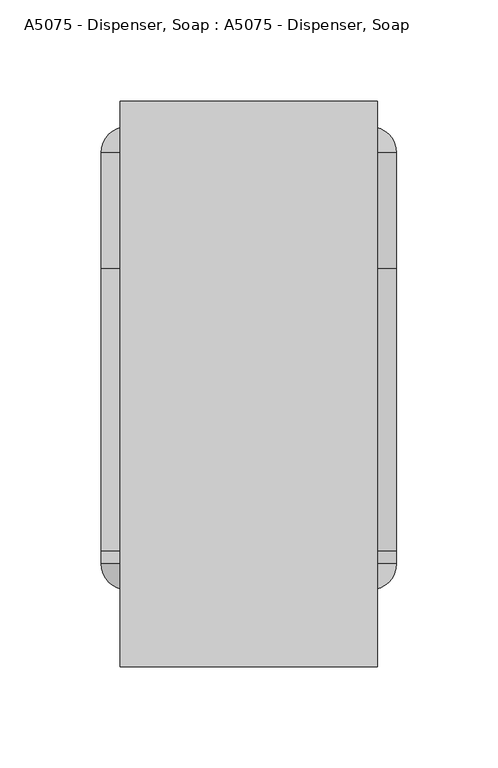
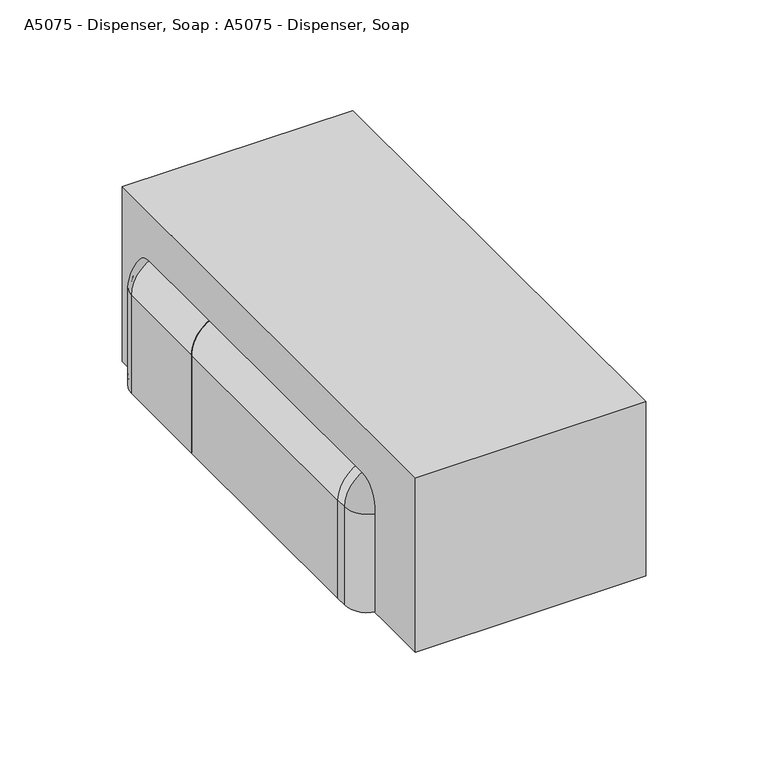
"""IFC4 building model written with IfcOpenShell, lengths in millimetres: proxy geometry, A5075 - Dispenser, Soap : A5075 - Dispenser, Soap."""

import ifcopenshell
import ifcopenshell.guid

model = None  # the IFC model being written
_history = None  # IfcOwnerHistory: only IFC2X3 demands one
_inside = {}  # id of a spatial element -> (the spatial element, [elements in it])
_under = {}  # id of a project, library or spatial element -> (it, [spatial elements below it])
_declared = {}  # id of a project -> (the project, [libraries it declares])
_typed = {}  # id of a type object -> (the type object, [elements of that type])
_made_of = {}  # id of a material, layer set ... -> (it, [elements and type objects made of it])


def new_model(schema):
    """Start an empty IFC model of exactly this schema.

    Asked for "IFC4X3", IfcOpenShell would pick the latest addendum, in which some entities
    have other attributes; the version numbers below select the first issue.
    IFC2X3 requires an IfcOwnerHistory on every rooted entity: one is made here for all.
    """
    global model, _history
    if schema == "IFC4X3":
        model = ifcopenshell.file(schema_version=(4, 3, 0, 0))
    else:
        model = ifcopenshell.file(schema=schema)
    _inside.clear()
    _under.clear()
    _declared.clear()
    _typed.clear()
    _made_of.clear()
    _history = None
    if model.schema == "IFC2X3":
        org = make("IfcOrganization", Name="unknown")
        user = make(
            "IfcPersonAndOrganization",
            ThePerson=make("IfcPerson", FamilyName="unknown"),
            TheOrganization=org,
        )
        app = make(
            "IfcApplication",
            ApplicationDeveloper=org,
            Version="unknown",
            ApplicationFullName="unknown",
            ApplicationIdentifier="unknown",
        )
        _history = make(
            "IfcOwnerHistory",
            OwningUser=user,
            OwningApplication=app,
            ChangeAction="ADDED",
            CreationDate=0,
        )
    return model


def make(cls, **values):
    """One entity of the class cls with the attributes given. An attribute that is None is left unset."""
    return model.create_entity(
        cls, **{name: value for name, value in values.items() if value is not None}
    )


def rooted(cls, **values):
    """An entity with a GlobalId (a new one), such as an element, a storey or a relation."""
    return make(cls, GlobalId=ifcopenshell.guid.new(), OwnerHistory=_history, **values)


def si_unit(unit_type, name, prefix=None):
    """IfcSIUnit, for example si_unit("LENGTHUNIT", "METRE", prefix="MILLI")."""
    return make("IfcSIUnit", UnitType=unit_type, Prefix=prefix, Name=name)


def assignment(units):
    """IfcUnitAssignment: the units of a project."""
    return None if units is None else make("IfcUnitAssignment", Units=units)


def point(xyz):
    """IfcCartesianPoint."""
    return None if xyz is None else make("IfcCartesianPoint", Coordinates=xyz)


def direction(xyz):
    """IfcDirection."""
    return None if xyz is None else make("IfcDirection", DirectionRatios=xyz)


def frame(location, z_axis=None, x_axis=None):
    """IfcAxis2Placement3D, a coordinate frame: its origin and axes. An axis left out is left unset."""
    return make(
        "IfcAxis2Placement3D",
        Location=point(location),
        Axis=direction(z_axis),
        RefDirection=direction(x_axis),
    )


def frame_2d(location, x_axis=None):
    """IfcAxis2Placement2D, a coordinate frame in the plane: its origin and x axis."""
    return make(
        "IfcAxis2Placement2D", Location=point(location), RefDirection=direction(x_axis)
    )


def origin():
    """The frame at (0, 0, 0) with its axes left unset."""
    return frame((0.0, 0.0, 0.0))


def origin_with_axes():
    """The frame at (0, 0, 0) with the z axis (0, 0, 1) and the x axis (1, 0, 0) written out."""
    return frame((0.0, 0.0, 0.0), z_axis=(0.0, 0.0, 1.0), x_axis=(1.0, 0.0, 0.0))


def place(relative_to, where):
    """IfcLocalPlacement: puts the frame where relative to a parent placement (None: the world)."""
    return make(
        "IfcLocalPlacement", PlacementRelTo=relative_to, RelativePlacement=where
    )


def context(
    kind, dimensions, precision=None, world=None, true_north=None, identifier=None
):
    """IfcGeometricRepresentationContext, for example the 3D "Model" context."""
    return make(
        "IfcGeometricRepresentationContext",
        ContextIdentifier=identifier,
        ContextType=kind,
        CoordinateSpaceDimension=dimensions,
        Precision=precision,
        WorldCoordinateSystem=world,
        TrueNorth=true_north,
    )


def project(units=None, contexts=None):
    """IfcProject with its units and contexts."""
    return rooted(
        "IfcProject",
        Name="project",
        RepresentationContexts=contexts,
        UnitsInContext=assignment(units),
    )


def spatial(cls, under=None, at=None, **own):
    """A site, building, storey or space (cls), placed at a placement, below another one or the project."""
    s = rooted(cls, ObjectPlacement=at, **own)
    if under is not None:
        _under.setdefault(under.id(), (under, []))[1].append(s)
    return s


def polyline(points):
    """IfcPolyline through the points."""
    return make("IfcPolyline", Points=[point(p) for p in points])


def circle_curve(where, radius):
    """IfcCircle in the frame where."""
    return make("IfcCircle", Position=where, Radius=radius)


def ellipse_curve(where, semi_axis1, semi_axis2):
    """IfcEllipse in the frame where."""
    return make(
        "IfcEllipse", Position=where, SemiAxis1=semi_axis1, SemiAxis2=semi_axis2
    )


def trimmed(basis, trim1, trim2, sense, master):
    """IfcTrimmedCurve: the piece of a basis curve between two trims."""
    return make(
        "IfcTrimmedCurve",
        BasisCurve=basis,
        Trim1=trim1,
        Trim2=trim2,
        SenseAgreement=sense,
        MasterRepresentation=master,
    )


def segment(curve, same_sense, transition):
    """IfcCompositeCurveSegment."""
    return make(
        "IfcCompositeCurveSegment",
        Transition=transition,
        SameSense=same_sense,
        ParentCurve=curve,
    )


def composite_curve(segments, self_intersect=None):
    """IfcCompositeCurve: segments joined end to end."""
    return make("IfcCompositeCurve", Segments=segments, SelfIntersect=self_intersect)


def outline(outer, holes=None, kind="AREA"):
    """IfcArbitraryClosedProfileDef: a profile drawn as a closed curve; with holes, ...WithVoids."""
    if holes is None:
        return make("IfcArbitraryClosedProfileDef", ProfileType=kind, OuterCurve=outer)
    return make(
        "IfcArbitraryProfileDefWithVoids",
        ProfileType=kind,
        OuterCurve=outer,
        InnerCurves=holes,
    )


def extrude(swept, where, along, depth):
    """IfcExtrudedAreaSolid: the profile swept, set in the frame where, extruded along a direction by depth."""
    return make(
        "IfcExtrudedAreaSolid",
        SweptArea=swept,
        Position=where,
        ExtrudedDirection=direction(along),
        Depth=depth,
    )


def shape(context_of_items, identifier, shape_type, items):
    """IfcShapeRepresentation: the items that make up one representation, for example the "Body"."""
    return make(
        "IfcShapeRepresentation",
        ContextOfItems=context_of_items,
        RepresentationIdentifier=identifier,
        RepresentationType=shape_type,
        Items=items,
    )


def source(mapping_origin, context_of_items, identifier, shape_type, items):
    """IfcRepresentationMap: a shape defined once, which mapped items show again and again."""
    return make(
        "IfcRepresentationMap",
        MappingOrigin=mapping_origin,
        MappedRepresentation=shape(context_of_items, identifier, shape_type, items),
    )


def transform(
    local_origin,
    x_axis=None,
    y_axis=None,
    z_axis=None,
    scale=None,
    scale2=None,
    scale3=None,
    uniform=True,
):
    """IfcCartesianTransformationOperator3D, or its non-uniform kind. x_axis, y_axis, z_axis: its Axis1, 2, 3."""
    if uniform:
        return make(
            "IfcCartesianTransformationOperator3D",
            Axis1=direction(x_axis),
            Axis2=direction(y_axis),
            LocalOrigin=point(local_origin),
            Scale=scale,
            Axis3=direction(z_axis),
        )
    return make(
        "IfcCartesianTransformationOperator3DnonUniform",
        Axis1=direction(x_axis),
        Axis2=direction(y_axis),
        LocalOrigin=point(local_origin),
        Scale=scale,
        Axis3=direction(z_axis),
        Scale2=scale2,
        Scale3=scale3,
    )


def mapped(mapping_source, mapping_target):
    """IfcMappedItem: shows the shape of a source again, moved by a transform."""
    return make(
        "IfcMappedItem", MappingSource=mapping_source, MappingTarget=mapping_target
    )


def made_of(thing, what):
    """Note that an element or type object is made of a material, layer set ...; save() writes the relation."""
    if what is not None:
        _made_of.setdefault(what.id(), (what, []))[1].append(thing)
    return thing


def element(
    cls,
    number,
    at=None,
    inside=None,
    cuts=None,
    type_object=None,
    material=None,
    context=None,
    identifier="Body",
    shape_type=None,
    held_by="IfcProductDefinitionShape",
    body=None,
    shapes=None,
    **own,
):
    """One element of the class cls, such as IfcWall. Its Tag is "e" and its number.

    at: its placement. inside: the storey or other place that contains it. cuts: it is an
    opening in that element (IfcRelVoidsElement). A single representation is given by context,
    identifier, shape_type and body (its items); several are given by shapes. held_by: the class
    of the entity that holds the representations. save() writes the other relations.
    """
    e = rooted(cls, Tag="e%d" % number, ObjectPlacement=at, **own)
    if body is not None:
        shapes = [shape(context, identifier, shape_type, body)]
    if shapes is not None:
        e.Representation = make(held_by, Representations=shapes)
    if inside is not None:
        _inside.setdefault(inside.id(), (inside, []))[1].append(e)
    if cuts is not None:
        rooted(
            "IfcRelVoidsElement", RelatingBuildingElement=cuts, RelatedOpeningElement=e
        )
    if type_object is not None:
        _typed.setdefault(type_object.id(), (type_object, []))[1].append(e)
    return made_of(e, material)


def aggregate(whole, parts):
    """IfcRelAggregates: a whole, such as a stair, and the parts it consists of."""
    return rooted("IfcRelAggregates", RelatingObject=whole, RelatedObjects=parts)


def save(model, path):
    """Write the relations noted so far, then the file.

    IfcRelAggregates (storeys below a building ...), IfcRelContainedInSpatialStructure (elements
    in a storey), IfcRelDefinesByType, IfcRelAssociatesMaterial and IfcRelDeclares: one each for
    every whole, place, type object, material and project.
    """
    for whole, parts in _under.values():
        aggregate(whole, parts)
    for where, things in _inside.values():
        rooted(
            "IfcRelContainedInSpatialStructure",
            RelatedElements=things,
            RelatingStructure=where,
        )
    for kind, things in _typed.values():
        rooted("IfcRelDefinesByType", RelatedObjects=things, RelatingType=kind)
    for what, things in _made_of.values():
        rooted("IfcRelAssociatesMaterial", RelatedObjects=things, RelatingMaterial=what)
    for by, libraries in _declared.values():
        rooted("IfcRelDeclares", RelatingContext=by, RelatedDefinitions=libraries)
    model.write(path)


def plane_surface(at):
    """IfcPlane: the flat surface through the origin of the frame at, square to its z axis."""
    return make("IfcPlane", Position=at)


def cylinder_surface(at, radius):
    """IfcCylindricalSurface: all points at the distance radius from the z axis of the frame at."""
    return make("IfcCylindricalSurface", Position=at, Radius=radius)


def revolved_surface(curve, axis_point, axis_direction):
    """IfcSurfaceOfRevolution: the curve turned about the line through axis_point along axis_direction."""
    return make(
        "IfcSurfaceOfRevolution",
        SweptCurve=make("IfcArbitraryOpenProfileDef", ProfileType="CURVE", Curve=curve),
        AxisPosition=make("IfcAxis1Placement", Location=point(axis_point), Axis=direction(axis_direction)),
    )


def advanced_brep(points, edges, surfaces, faces):
    """IfcAdvancedBrep: a solid bounded by faces that lie on surfaces and meet in shared edges.

    An edge is (start, end): straight between two places in points (the first is 0);
    or (start, end, curve); or (start, end, curve, False) where it runs against its curve.
    A face is (place in surfaces, loops), or (place, loops, False) where it looks against
    its surface's normal. A loop lists edges by number (the first is 1), with a minus sign
    where the edge is run from its end to its start. The first loop is the outer one.
    """
    corners = [point(p) for p in points]
    vertices = [make("IfcVertexPoint", VertexGeometry=c) for c in corners]
    made = []
    for start, end, *more in edges:
        made.append(
            make(
                "IfcEdgeCurve",
                EdgeStart=vertices[start],
                EdgeEnd=vertices[end],
                EdgeGeometry=more[0] if more else make("IfcPolyline", Points=[corners[start], corners[end]]),
                SameSense=more[1] if len(more) > 1 else True,
            )
        )
    hull = []
    for where, loops, *sense in faces:
        bounds = []
        for j, loop in enumerate(loops):
            ring = [make("IfcOrientedEdge", EdgeElement=made[abs(k) - 1], Orientation=k > 0) for k in loop]
            bounds.append(
                make(
                    "IfcFaceOuterBound" if j == 0 else "IfcFaceBound",
                    Bound=make("IfcEdgeLoop", EdgeList=ring),
                    Orientation=True,
                )
            )
        hull.append(make("IfcAdvancedFace", Bounds=bounds, FaceSurface=surfaces[where], SameSense=sense[0] if sense else True))
    return make("IfcAdvancedBrep", Outer=make("IfcClosedShell", CfsFaces=hull))


def a5075_dispenser_soap_a5075_dispenser_soap_4e750380(model_context):
    return source(origin(), model_context, "Body", "SolidModel", [
        advanced_brep(
        [(-73.025, -25.4, 0.0), (-60.325, -12.7, 0.0), (-60.325, -14.2875, 0.0), (-71.4375, -25.4, 0.0), (-71.4375, -82.55, 0.0), (-73.025, -82.55, 0.0), (-73.025, -82.55, 57.15), (-73.025, -25.4, 57.15), (-71.4375, -82.55, 57.15), (-53.975, -82.55, 74.6125), (53.975, -82.55, 74.6125), (71.4375, -82.55, 57.15), (71.4375, -82.55, 12.7), (73.025, -82.55, 12.7), (73.025, -82.55, 57.15), (53.975, -82.55, 76.2), (-53.975, -82.55, 76.2), (-71.4375, -25.4, 57.15), (-60.325, -14.2875, 57.15), (-60.325, -12.7, 57.15), (-53.975, -25.4, 76.2), (-53.975, -25.4, 74.6125), (-53.975, -14.2875, 63.5), (-53.975, -12.7, 63.5), (53.975, -25.4, 76.2), (53.975, -25.4, 74.6125), (53.975, -14.2875, 63.5), (53.975, -12.7, 63.5), (73.025, -25.4, 57.15), (71.4375, -25.4, 57.15), (60.325, -14.2875, 57.15), (60.325, -12.7, 57.15), (73.025, -25.4, 12.7), (71.4375, -25.4, 12.7), (60.325, -14.2875, 12.7), (60.325, -12.7, 12.7)],
        [
            (0, 1, circle_curve(frame((-60.325, -25.4, 0.0), z_axis=(0.0, 0.0, -1.0), x_axis=(1.0, 0.0, 0.0)), 12.7)),
            (1, 2),
            (2, 3, circle_curve(frame((-60.325, -25.4, 0.0), z_axis=(0.0, 0.0, 1.0), x_axis=(1.0, 0.0, 0.0)), 11.1125)),
            (3, 4),
            (4, 5),
            (5, 0),
            (5, 6),
            (6, 7),
            (7, 0),
            (4, 8),
            (8, 9, circle_curve(frame((-53.975, -82.55, 57.15), z_axis=(0.0, 1.0, 0.0), x_axis=(-1.0, 0.0, 0.0)), 17.4625)),
            (9, 10),
            (10, 11, circle_curve(frame((53.975, -82.55, 57.15), z_axis=(0.0, 1.0, 0.0), x_axis=(0.0, 0.0, 1.0)), 17.4625)),
            (11, 12),
            (12, 13),
            (13, 14),
            (14, 15, circle_curve(frame((53.975, -82.55, 57.15), z_axis=(0.0, -1.0, 0.0), x_axis=(0.0, 0.0, 1.0)), 19.05)),
            (15, 16),
            (16, 6, circle_curve(frame((-53.975, -82.55, 57.15), z_axis=(0.0, -1.0, 0.0), x_axis=(-1.0, 0.0, 0.0)), 19.05)),
            (3, 17),
            (17, 8),
            (2, 18),
            (18, 17, circle_curve(frame((-60.325, -25.4, 57.15), z_axis=(0.0, 0.0, 1.0), x_axis=(1.0, 0.0, 0.0)), 11.1125)),
            (1, 19),
            (19, 18),
            (7, 19, circle_curve(frame((-60.325, -25.4, 57.15), z_axis=(0.0, 0.0, -1.0), x_axis=(1.0, 0.0, 0.0)), 12.7)),
            (16, 20),
            (20, 7, circle_curve(frame((-53.975, -25.4, 57.15), z_axis=(0.0, -1.0, 0.0), x_axis=(-1.0, 0.0, 0.0)), 19.05)),
            (21, 9),
            (17, 21, circle_curve(frame((-53.975, -25.4, 57.15), z_axis=(0.0, 1.0, 0.0), x_axis=(-1.0, 0.0, 0.0)), 17.4625)),
            (22, 21, circle_curve(frame((-53.975, -25.4, 63.5), z_axis=(1.0, 0.0, 0.0), x_axis=(0.0, 0.0, -1.0)), 11.1125)),
            (18, 22, circle_curve(frame((-53.975, -14.2875, 57.15), z_axis=(0.0, 1.0, 0.0), x_axis=(-1.0, 0.0, 0.0)), 6.35)),
            (23, 22),
            (19, 23, circle_curve(frame((-53.975, -12.7, 57.15), z_axis=(0.0, 1.0, 0.0), x_axis=(-1.0, 0.0, 0.0)), 6.35)),
            (20, 23, circle_curve(frame((-53.975, -25.4, 63.5), z_axis=(-1.0, 0.0, 0.0), x_axis=(0.0, 0.0, -1.0)), 12.7)),
            (15, 24),
            (24, 20),
            (21, 25),
            (25, 10),
            (22, 26),
            (26, 25, circle_curve(frame((53.975, -25.4, 63.5), z_axis=(1.0, 0.0, 0.0), x_axis=(0.0, 0.0, -1.0)), 11.1125)),
            (23, 27),
            (27, 26),
            (24, 27, circle_curve(frame((53.975, -25.4, 63.5), z_axis=(-1.0, 0.0, 0.0), x_axis=(0.0, 0.0, -1.0)), 12.7)),
            (14, 28),
            (28, 24, circle_curve(frame((53.975, -25.4, 57.15), z_axis=(0.0, -1.0, 0.0), x_axis=(0.0, 0.0, 1.0)), 19.05)),
            (29, 11),
            (25, 29, circle_curve(frame((53.975, -25.4, 57.15), z_axis=(0.0, 1.0, 0.0), x_axis=(0.0, 0.0, 1.0)), 17.4625)),
            (30, 29, circle_curve(frame((60.325, -25.4, 57.15), z_axis=(0.0, 0.0, -1.0), x_axis=(-1.0, 0.0, 0.0)), 11.1125)),
            (26, 30, circle_curve(frame((53.975, -14.2875, 57.15), z_axis=(0.0, 1.0, 0.0), x_axis=(0.0, 0.0, 1.0)), 6.35)),
            (31, 30),
            (27, 31, circle_curve(frame((53.975, -12.7, 57.15), z_axis=(0.0, 1.0, 0.0), x_axis=(0.0, 0.0, 1.0)), 6.35)),
            (28, 31, circle_curve(frame((60.325, -25.4, 57.15), z_axis=(0.0, 0.0, 1.0), x_axis=(-1.0, 0.0, 0.0)), 12.7)),
            (32, 13),
            (12, 33),
            (33, 34, circle_curve(frame((60.325, -25.4, 12.7), z_axis=(0.0, 0.0, 1.0), x_axis=(-1.0, 0.0, 0.0)), 11.1125)),
            (34, 35),
            (35, 32, circle_curve(frame((60.325, -25.4, 12.7), z_axis=(0.0, 0.0, -1.0), x_axis=(-1.0, 0.0, 0.0)), 12.7)),
            (32, 28),
            (29, 33),
            (30, 34),
            (31, 35),
        ],
        [
            plane_surface(frame((-73.025, -12.7, 0.0), z_axis=(0.0, 0.0, -1.0), x_axis=(0.0, -1.0, 0.0))),
            plane_surface(frame((-73.025, -25.4, 0.0), z_axis=(-1.0, 0.0, 0.0), x_axis=(0.0, 0.0, 1.0))),
            plane_surface(frame((-73.025, -82.55, 0.0), z_axis=(0.0, -1.0, 0.0), x_axis=(0.0, 0.0, 1.0))),
            plane_surface(frame((-71.4375, -82.55, 0.0), z_axis=(1.0, 0.0, 0.0), x_axis=(0.0, 0.0, 1.0))),
            revolved_surface(polyline([(-49.212500000000006, -25.4, 57.15), (-49.212500000000006, -25.4, 0.0)]), (-60.325, -25.4, 0.0), (0.0, 0.0, 1.0)),
            plane_surface(frame((-60.325, -14.2875, 0.0), z_axis=(1.0, 0.0, 0.0), x_axis=(0.0, 0.0, 1.0))),
            cylinder_surface(frame((-60.325, -25.4, 0.0), z_axis=(0.0, 0.0, -1.0), x_axis=(1.0, 0.0, 0.0)), 12.7),
            cylinder_surface(frame((-53.975, -12.7, 57.15), z_axis=(0.0, -1.0, 0.0), x_axis=(-1.0, 0.0, 0.0)), 19.05),
            revolved_surface(polyline([(-71.4375, -82.55, 57.15), (-71.4375, -25.4, 57.15)]), (-53.975, -12.7, 57.15), (0.0, -1.0, 0.0)),
            revolved_surface(trimmed(ellipse_curve(frame((-60.325, -25.4, 57.15), z_axis=(0.0, 0.0, -1.0), x_axis=(1.0, 0.0, 0.0)), 11.1125, 11.1125), [point((-71.4375, -25.4, 57.15))], [point((-60.325, -14.2875, 57.15))], True, "CARTESIAN"), (-53.975, -12.7, 57.15), (0.0, -1.0, 0.0)),
            revolved_surface(polyline([(-60.325, -14.2875, 57.15), (-60.325, -12.7, 57.15)]), (-53.975, -12.7, 57.15), (0.0, -1.0, 0.0)),
            revolved_surface(trimmed(ellipse_curve(frame((-60.325, -25.4, 57.15), z_axis=(0.0, 0.0, 1.0), x_axis=(1.0, 0.0, 0.0)), 12.7, 12.7), [point((-60.325, -12.7, 57.15))], [point((-73.025, -25.4, 57.15))], True, "CARTESIAN"), (-53.975, -12.7, 57.15), (0.0, -1.0, 0.0)),
            plane_surface(frame((-53.975, -25.4, 76.2), z_axis=(0.0, 0.0, 1.0), x_axis=(1.0, 0.0, 0.0))),
            plane_surface(frame((-53.975, -82.55, 74.6125), z_axis=(0.0, 0.0, -1.0), x_axis=(1.0, 0.0, 0.0))),
            revolved_surface(polyline([(53.975, -25.4, 52.3875), (-53.975, -25.4, 52.3875)]), (-53.975, -25.4, 63.5), (1.0, 0.0, 0.0)),
            plane_surface(frame((-53.975, -14.2875, 63.5), z_axis=(0.0, 0.0, -1.0), x_axis=(1.0, 0.0, 0.0))),
            cylinder_surface(frame((-53.975, -25.4, 63.5), z_axis=(-1.0, 0.0, 0.0), x_axis=(0.0, 0.0, -1.0)), 12.7),
            cylinder_surface(frame((53.975, -12.7, 57.15), z_axis=(0.0, -1.0, 0.0), x_axis=(0.0, 0.0, 1.0)), 19.05),
            revolved_surface(polyline([(53.975, -82.55, 74.6125), (53.975, -25.4, 74.6125)]), (53.975, -12.7, 57.15), (0.0, -1.0, 0.0)),
            revolved_surface(trimmed(ellipse_curve(frame((53.975, -25.4, 63.5), z_axis=(-1.0, 0.0, 0.0), x_axis=(0.0, 0.0, -1.0)), 11.1125, 11.1125), [point((53.975, -25.4, 74.6125))], [point((53.975, -14.2875, 63.5))], True, "CARTESIAN"), (53.975, -12.7, 57.15), (0.0, -1.0, 0.0)),
            revolved_surface(polyline([(53.975, -14.2875, 63.5), (53.975, -12.7, 63.5)]), (53.975, -12.7, 57.15), (0.0, -1.0, 0.0)),
            revolved_surface(trimmed(ellipse_curve(frame((53.975, -25.4, 63.5), z_axis=(1.0, 0.0, 0.0), x_axis=(0.0, 0.0, -1.0)), 12.7, 12.7), [point((53.975, -12.7, 63.5))], [point((53.975, -25.4, 76.2))], True, "CARTESIAN"), (53.975, -12.7, 57.15), (0.0, -1.0, 0.0)),
            plane_surface(frame((73.025, -12.7, 12.7), z_axis=(0.0, 0.0, -1.0), x_axis=(0.0, -1.0, 0.0))),
            plane_surface(frame((73.025, -25.4, 57.15), z_axis=(1.0, 0.0, 0.0), x_axis=(0.0, 0.0, -1.0))),
            plane_surface(frame((71.4375, -82.55, 57.15), z_axis=(-1.0, 0.0, 0.0), x_axis=(0.0, 0.0, -1.0))),
            revolved_surface(polyline([(49.212500000000006, -25.4, 12.699999999999996), (49.212500000000006, -25.4, 57.15)]), (60.325, -25.4, 57.15), (0.0, 0.0, -1.0)),
            plane_surface(frame((60.325, -14.2875, 57.15), z_axis=(-1.0, 0.0, 0.0), x_axis=(0.0, 0.0, -1.0))),
            cylinder_surface(frame((60.325, -25.4, 57.15), z_axis=(0.0, 0.0, 1.0), x_axis=(-1.0, 0.0, 0.0)), 12.7),
        ],
        [
            (0, [[1, 2, 3, 4, 5, 6]]),
            (1, [[7, 8, 9, -6]]),
            (2, [[10, 11, 12, 13, 14, 15, 16, 17, 18, 19, -7, -5]]),
            (3, [[20, 21, -10, -4]]),
            (4, [[22, 23, -20, -3]]),
            (5, [[24, 25, -22, -2]]),
            (6, [[-9, 26, -24, -1]]),
            (7, [[27, 28, -8, -19]]),
            (8, [[29, -11, -21, 30]]),
            (9, [[31, -30, -23, 32]]),
            (10, [[33, -32, -25, 34]]),
            (11, [[35, -34, -26, -28]]),
            (12, [[-18, 36, 37, -27]]),
            (13, [[38, 39, -12, -29]]),
            (14, [[40, 41, -38, -31]]),
            (15, [[42, 43, -40, -33]]),
            (16, [[-37, 44, -42, -35]]),
            (17, [[45, 46, -36, -17]]),
            (18, [[47, -13, -39, 48]]),
            (19, [[49, -48, -41, 50]]),
            (20, [[51, -50, -43, 52]]),
            (21, [[53, -52, -44, -46]]),
            (22, [[54, -15, 55, 56, 57, 58]]),
            (23, [[-16, -54, 59, -45]]),
            (24, [[60, -55, -14, -47]]),
            (25, [[61, -56, -60, -49]]),
            (26, [[62, -57, -61, -51]]),
            (27, [[-59, -58, -62, -53]]),
        ],
    ),
        advanced_brep(
        [(-73.025, -228.6, 0.0), (-73.025, -222.25, 0.0), (-71.4375, -222.25, 0.0), (-71.4375, -228.6, 0.0), (-60.325, -239.7125, 0.0), (-60.325, -241.3, 0.0), (-60.325, -241.3, 57.15), (-73.025, -228.6, 57.15), (-60.325, -239.7125, 57.15), (-71.4375, -228.6, 57.15), (-71.4375, -222.25, 57.15), (-73.025, -222.25, 57.15), (-53.975, -222.25, 76.2), (53.975, -222.25, 76.2), (73.025, -222.25, 57.15), (73.025, -222.25, 12.7), (71.4375, -222.25, 12.7), (71.4375, -222.25, 57.15), (53.975, -222.25, 74.6125), (-53.975, -222.25, 74.6125), (-53.975, -241.3, 63.5), (-53.975, -228.6, 76.2), (-53.975, -239.7125, 63.5), (-53.975, -228.6, 74.6125), (53.975, -241.3, 63.5), (53.975, -228.6, 76.2), (53.975, -239.7125, 63.5), (53.975, -228.6, 74.6125), (60.325, -241.3, 57.15), (73.025, -228.6, 57.15), (60.325, -239.7125, 57.15), (71.4375, -228.6, 57.15), (73.025, -228.6, 12.7), (60.325, -241.3, 12.7), (60.325, -239.7125, 12.7), (71.4375, -228.6, 12.7)],
        [
            (0, 1),
            (1, 2),
            (2, 3),
            (3, 4, circle_curve(frame((-60.325, -228.6, 0.0), z_axis=(0.0, 0.0, 1.0), x_axis=(1.0, 0.0, 0.0)), 11.1125)),
            (4, 5),
            (5, 0, circle_curve(frame((-60.325, -228.6, 0.0), z_axis=(0.0, 0.0, -1.0), x_axis=(1.0, 0.0, 0.0)), 12.7)),
            (5, 6),
            (6, 7, circle_curve(frame((-60.325, -228.6, 57.15), z_axis=(0.0, 0.0, -1.0), x_axis=(1.0, 0.0, 0.0)), 12.7)),
            (7, 0),
            (4, 8),
            (8, 6),
            (3, 9),
            (9, 8, circle_curve(frame((-60.325, -228.6, 57.15), z_axis=(0.0, 0.0, 1.0), x_axis=(1.0, 0.0, 0.0)), 11.1125)),
            (2, 10),
            (10, 9),
            (1, 11),
            (11, 12, circle_curve(frame((-53.975, -222.25, 57.15), z_axis=(0.0, 1.0, 0.0), x_axis=(-1.0, 0.0, 0.0)), 19.05)),
            (12, 13),
            (13, 14, circle_curve(frame((53.975, -222.25, 57.15), z_axis=(0.0, 1.0, 0.0), x_axis=(0.0, 0.0, 1.0)), 19.05)),
            (14, 15),
            (15, 16),
            (16, 17),
            (17, 18, circle_curve(frame((53.975, -222.25, 57.15), z_axis=(0.0, -1.0, 0.0), x_axis=(0.0, 0.0, 1.0)), 17.4625)),
            (18, 19),
            (19, 10, circle_curve(frame((-53.975, -222.25, 57.15), z_axis=(0.0, -1.0, 0.0), x_axis=(-1.0, 0.0, 0.0)), 17.4625)),
            (7, 11),
            (20, 21, circle_curve(frame((-53.975, -228.6, 63.5), z_axis=(-1.0, 0.0, 0.0), x_axis=(0.0, 0.0, -1.0)), 12.7)),
            (21, 7, circle_curve(frame((-53.975, -228.6, 57.15), z_axis=(0.0, -1.0, 0.0), x_axis=(-1.0, 0.0, 0.0)), 19.05)),
            (6, 20, circle_curve(frame((-53.975, -241.3, 57.15), z_axis=(0.0, 1.0, 0.0), x_axis=(-1.0, 0.0, 0.0)), 6.35)),
            (22, 20),
            (8, 22, circle_curve(frame((-53.975, -239.7125, 57.15), z_axis=(0.0, 1.0, 0.0), x_axis=(-1.0, 0.0, 0.0)), 6.35)),
            (23, 22, circle_curve(frame((-53.975, -228.6, 63.5), z_axis=(1.0, 0.0, 0.0), x_axis=(0.0, 0.0, -1.0)), 11.1125)),
            (9, 23, circle_curve(frame((-53.975, -228.6, 57.15), z_axis=(0.0, 1.0, 0.0), x_axis=(-1.0, 0.0, 0.0)), 17.4625)),
            (19, 23),
            (21, 12),
            (20, 24),
            (24, 25, circle_curve(frame((53.975, -228.6, 63.5), z_axis=(-1.0, 0.0, 0.0), x_axis=(0.0, 0.0, -1.0)), 12.7)),
            (25, 21),
            (22, 26),
            (26, 24),
            (23, 27),
            (27, 26, circle_curve(frame((53.975, -228.6, 63.5), z_axis=(1.0, 0.0, 0.0), x_axis=(0.0, 0.0, -1.0)), 11.1125)),
            (18, 27),
            (25, 13),
            (28, 29, circle_curve(frame((60.325, -228.6, 57.15), z_axis=(0.0, 0.0, 1.0), x_axis=(-1.0, 0.0, 0.0)), 12.7)),
            (29, 25, circle_curve(frame((53.975, -228.6, 57.15), z_axis=(0.0, -1.0, 0.0), x_axis=(0.0, 0.0, 1.0)), 19.05)),
            (24, 28, circle_curve(frame((53.975, -241.3, 57.15), z_axis=(0.0, 1.0, 0.0), x_axis=(0.0, 0.0, 1.0)), 6.35)),
            (30, 28),
            (26, 30, circle_curve(frame((53.975, -239.7125, 57.15), z_axis=(0.0, 1.0, 0.0), x_axis=(0.0, 0.0, 1.0)), 6.35)),
            (31, 30, circle_curve(frame((60.325, -228.6, 57.15), z_axis=(0.0, 0.0, -1.0), x_axis=(-1.0, 0.0, 0.0)), 11.1125)),
            (27, 31, circle_curve(frame((53.975, -228.6, 57.15), z_axis=(0.0, 1.0, 0.0), x_axis=(0.0, 0.0, 1.0)), 17.4625)),
            (17, 31),
            (29, 14),
            (32, 33, circle_curve(frame((60.325, -228.6, 12.7), z_axis=(0.0, 0.0, -1.0), x_axis=(-1.0, 0.0, 0.0)), 12.7)),
            (33, 34),
            (34, 35, circle_curve(frame((60.325, -228.6, 12.7), z_axis=(0.0, 0.0, 1.0), x_axis=(-1.0, 0.0, 0.0)), 11.1125)),
            (35, 16),
            (15, 32),
            (28, 33),
            (32, 29),
            (30, 34),
            (31, 35),
        ],
        [
            plane_surface(frame((-73.025, -241.3, 0.0), z_axis=(0.0, 0.0, -1.0), x_axis=(0.0, -1.0, 0.0))),
            cylinder_surface(frame((-60.325, -228.6, 0.0), z_axis=(0.0, 0.0, -1.0), x_axis=(1.0, 0.0, 0.0)), 12.7),
            plane_surface(frame((-60.325, -241.3, 0.0), z_axis=(1.0, 0.0, 0.0), x_axis=(0.0, 0.0, 1.0))),
            revolved_surface(polyline([(-49.212500000000006, -228.6, 57.15), (-49.212500000000006, -228.6, 0.0)]), (-60.325, -228.6, 0.0), (0.0, 0.0, 1.0)),
            plane_surface(frame((-71.4375, -228.6, 0.0), z_axis=(1.0, 0.0, 0.0), x_axis=(0.0, 0.0, 1.0))),
            plane_surface(frame((-71.4375, -222.25, 0.0), z_axis=(0.0, 1.0, 0.0), x_axis=(0.0, 0.0, 1.0))),
            plane_surface(frame((-73.025, -222.25, 0.0), z_axis=(-1.0, 0.0, 0.0), x_axis=(0.0, 0.0, 1.0))),
            revolved_surface(trimmed(ellipse_curve(frame((-60.325, -228.6, 57.15), z_axis=(0.0, 0.0, 1.0), x_axis=(1.0, 0.0, 0.0)), 12.7, 12.7), [point((-73.025, -228.6, 57.15))], [point((-60.325, -241.3, 57.15))], True, "CARTESIAN"), (-53.975, -241.3, 57.15), (0.0, -1.0, 0.0)),
            revolved_surface(polyline([(-60.325, -241.3, 57.15), (-60.325, -239.7125, 57.15)]), (-53.975, -241.3, 57.15), (0.0, -1.0, 0.0)),
            revolved_surface(trimmed(ellipse_curve(frame((-60.325, -228.6, 57.15), z_axis=(0.0, 0.0, -1.0), x_axis=(1.0, 0.0, 0.0)), 11.1125, 11.1125), [point((-60.325, -239.7125, 57.15))], [point((-71.4375, -228.6, 57.15))], True, "CARTESIAN"), (-53.975, -241.3, 57.15), (0.0, -1.0, 0.0)),
            revolved_surface(polyline([(-71.4375, -228.6, 57.15), (-71.4375, -222.25, 57.15)]), (-53.975, -241.3, 57.15), (0.0, -1.0, 0.0)),
            cylinder_surface(frame((-53.975, -241.3, 57.15), z_axis=(0.0, -1.0, 0.0), x_axis=(-1.0, 0.0, 0.0)), 19.05),
            cylinder_surface(frame((-53.975, -228.6, 63.5), z_axis=(-1.0, 0.0, 0.0), x_axis=(0.0, 0.0, -1.0)), 12.7),
            plane_surface(frame((-53.975, -241.3, 63.5), z_axis=(0.0, 0.0, -1.0), x_axis=(1.0, 0.0, 0.0))),
            revolved_surface(polyline([(53.975, -228.6, 52.3875), (-53.975, -228.6, 52.3875)]), (-53.975, -228.6, 63.5), (1.0, 0.0, 0.0)),
            plane_surface(frame((-53.975, -228.6, 74.6125), z_axis=(0.0, 0.0, -1.0), x_axis=(1.0, 0.0, 0.0))),
            plane_surface(frame((-53.975, -222.25, 76.2), z_axis=(0.0, 0.0, 1.0), x_axis=(1.0, 0.0, 0.0))),
            revolved_surface(trimmed(ellipse_curve(frame((53.975, -228.6, 63.5), z_axis=(1.0, 0.0, 0.0), x_axis=(0.0, 0.0, -1.0)), 12.7, 12.7), [point((53.975, -228.6, 76.2))], [point((53.975, -241.3, 63.5))], True, "CARTESIAN"), (53.975, -241.3, 57.15), (0.0, -1.0, 0.0)),
            revolved_surface(polyline([(53.975, -241.3, 63.5), (53.975, -239.7125, 63.5)]), (53.975, -241.3, 57.15), (0.0, -1.0, 0.0)),
            revolved_surface(trimmed(ellipse_curve(frame((53.975, -228.6, 63.5), z_axis=(-1.0, 0.0, 0.0), x_axis=(0.0, 0.0, -1.0)), 11.1125, 11.1125), [point((53.975, -239.7125, 63.5))], [point((53.975, -228.6, 74.6125))], True, "CARTESIAN"), (53.975, -241.3, 57.15), (0.0, -1.0, 0.0)),
            revolved_surface(polyline([(53.975, -228.6, 74.6125), (53.975, -222.25, 74.6125)]), (53.975, -241.3, 57.15), (0.0, -1.0, 0.0)),
            cylinder_surface(frame((53.975, -241.3, 57.15), z_axis=(0.0, -1.0, 0.0), x_axis=(0.0, 0.0, 1.0)), 19.05),
            plane_surface(frame((73.025, -241.3, 12.7), z_axis=(0.0, 0.0, -1.0), x_axis=(0.0, -1.0, 0.0))),
            cylinder_surface(frame((60.325, -228.6, 57.15), z_axis=(0.0, 0.0, 1.0), x_axis=(-1.0, 0.0, 0.0)), 12.7),
            plane_surface(frame((60.325, -241.3, 57.15), z_axis=(-1.0, 0.0, 0.0), x_axis=(0.0, 0.0, -1.0))),
            revolved_surface(polyline([(49.212500000000006, -228.6, 12.699999999999996), (49.212500000000006, -228.6, 57.15)]), (60.325, -228.6, 57.15), (0.0, 0.0, -1.0)),
            plane_surface(frame((71.4375, -228.6, 57.15), z_axis=(-1.0, 0.0, 0.0), x_axis=(0.0, 0.0, -1.0))),
            plane_surface(frame((73.025, -222.25, 57.15), z_axis=(1.0, 0.0, 0.0), x_axis=(0.0, 0.0, -1.0))),
        ],
        [
            (0, [[1, 2, 3, 4, 5, 6]]),
            (1, [[7, 8, 9, -6]]),
            (2, [[10, 11, -7, -5]]),
            (3, [[12, 13, -10, -4]]),
            (4, [[14, 15, -12, -3]]),
            (5, [[16, 17, 18, 19, 20, 21, 22, 23, 24, 25, -14, -2]]),
            (6, [[-9, 26, -16, -1]]),
            (7, [[27, 28, -8, 29]]),
            (8, [[30, -29, -11, 31]]),
            (9, [[32, -31, -13, 33]]),
            (10, [[34, -33, -15, -25]]),
            (11, [[35, -17, -26, -28]]),
            (12, [[36, 37, 38, -27]]),
            (13, [[39, 40, -36, -30]]),
            (14, [[41, 42, -39, -32]]),
            (15, [[-24, 43, -41, -34]]),
            (16, [[-38, 44, -18, -35]]),
            (17, [[45, 46, -37, 47]]),
            (18, [[48, -47, -40, 49]]),
            (19, [[50, -49, -42, 51]]),
            (20, [[52, -51, -43, -23]]),
            (21, [[53, -19, -44, -46]]),
            (22, [[54, 55, 56, 57, -21, 58]]),
            (23, [[59, -54, 60, -45]]),
            (24, [[61, -55, -59, -48]]),
            (25, [[62, -56, -61, -50]]),
            (26, [[-22, -57, -62, -52]]),
            (27, [[-60, -58, -20, -53]]),
        ],
    ),
        extrude(outline(composite_curve([segment(polyline([(57.15, -73.025), (0.0, -73.025), (12.7, -71.4375), (57.15, -71.4375)]), True, "CONTINUOUS"), segment(trimmed(circle_curve(frame_2d((57.15, -53.975)), 17.4625), [point((57.15, -71.4375))], [point((74.6125, -53.975))], True, "CARTESIAN"), True, "CONTINUOUS"), segment(polyline([(74.6125, -53.975), (74.6125, 53.975)]), True, "CONTINUOUS"), segment(trimmed(circle_curve(frame_2d((57.15, 53.975)), 17.4625), [point((74.6125, 53.975))], [point((57.15, 71.4375))], True, "CARTESIAN"), True, "CONTINUOUS"), segment(polyline([(57.15, 71.4375), (12.7, 71.4375), (12.7, 73.025), (57.15, 73.025)]), True, "CONTINUOUS"), segment(trimmed(circle_curve(frame_2d((57.15, 53.975)), 19.05), [point((57.15, 73.025))], [point((76.2, 53.975))], False, "CARTESIAN"), True, "CONTINUOUS"), segment(polyline([(76.2, 53.975), (76.2, -53.975)]), True, "CONTINUOUS"), segment(trimmed(circle_curve(frame_2d((57.15, -53.975)), 19.05), [point((76.2, -53.975))], [point((57.15, -73.025))], False, "CARTESIAN"), True, "CONTINUOUS")], self_intersect=False)), frame((0.0, -222.25, 0.0), z_axis=(0.0, 1.0, 0.0), x_axis=(0.0, 0.0, 1.0)), (0.0, 0.0, 1.0), 139.7),
        extrude(outline(composite_curve([segment(polyline([(74.6125, 53.975), (74.6125, -53.975)]), True, "CONTINUOUS"), segment(trimmed(circle_curve(frame_2d((57.15, -53.975)), 17.4625), [point((74.6125, -53.975))], [point((57.15, -71.4375))], False, "CARTESIAN"), True, "CONTINUOUS"), segment(polyline([(57.15, -71.4375), (12.7, -71.4375), (12.7, 71.4375), (57.15, 71.4375)]), True, "CONTINUOUS"), segment(trimmed(circle_curve(frame_2d((57.15, 53.975)), 17.4625), [point((57.15, 71.4375))], [point((74.6125, 53.975))], False, "CARTESIAN"), True, "CONTINUOUS")], self_intersect=False)), frame((0.0, -184.4030988, 0.0), z_axis=(0.0, 1.0, 0.0), x_axis=(0.0, 0.0, 1.0)), (0.0, 0.0, 1.0), 101.8530988),
        extrude(outline(composite_curve([segment(trimmed(circle_curve(frame_2d((47.625, 0.0)), 9.525), [point((47.625, -9.525))], [point((47.625, 9.525))], False, "CARTESIAN"), True, "CONTINUOUS"), segment(trimmed(circle_curve(frame_2d((47.625, 0.0)), 9.525), [point((47.625, 9.525))], [point((47.625, -9.525))], False, "CARTESIAN"), True, "CONTINUOUS")], self_intersect=False)), frame((0.0, -12.7, 0.0), z_axis=(0.0, 1.0, 0.0), x_axis=(0.0, 0.0, 1.0)), (0.0, 0.0, 1.0), 12.7),
        extrude(outline(composite_curve([segment(trimmed(circle_curve(frame_2d((-9.525, -41.275)), 9.525), [point((-9.525, -50.8))], [point((-9.525, -31.75))], False, "CARTESIAN"), True, "CONTINUOUS"), segment(polyline([(-9.525, -31.75), (9.525, -31.75)]), True, "CONTINUOUS"), segment(trimmed(circle_curve(frame_2d((9.525, -41.275)), 9.525), [point((9.525, -31.75))], [point((9.525, -50.8))], False, "CARTESIAN"), True, "CONTINUOUS"), segment(polyline([(9.525, -50.8), (-9.525, -50.8)]), True, "CONTINUOUS")], self_intersect=False)), frame((0.0, 0.0, 76.2), z_axis=(0.0, 0.0, 1.0), x_axis=(1.0, 0.0, 0.0)), (0.0, 0.0, 1.0), 12.7),
        extrude(outline(composite_curve([segment(polyline([(12.7, -60.325), (12.7, 60.325), (57.15, 60.325)]), True, "CONTINUOUS"), segment(trimmed(circle_curve(frame_2d((57.15, 53.975)), 6.35), [point((57.15, 60.325))], [point((63.5, 53.975))], False, "CARTESIAN"), True, "CONTINUOUS"), segment(polyline([(63.5, 53.975), (63.5, -53.975)]), True, "CONTINUOUS"), segment(trimmed(circle_curve(frame_2d((57.15, -53.975)), 6.35), [point((63.5, -53.975))], [point((57.15, -60.325))], False, "CARTESIAN"), True, "CONTINUOUS"), segment(polyline([(57.15, -60.325), (12.7, -60.325)]), True, "CONTINUOUS")], self_intersect=False)), frame((0.0, -14.2875, 0.0), z_axis=(0.0, 1.0, 0.0), x_axis=(0.0, 0.0, 1.0)), (0.0, 0.0, 1.0), 1.5875),
        extrude(outline(composite_curve([segment(trimmed(circle_curve(frame_2d((-60.325, -228.6)), 12.7), [point((-60.325, -241.3))], [point((-73.025, -228.6))], False, "CARTESIAN"), True, "CONTINUOUS"), segment(polyline([(-73.025, -228.6), (-73.025, -25.4)]), True, "CONTINUOUS"), segment(trimmed(circle_curve(frame_2d((-60.325, -25.4)), 12.7), [point((-73.025, -25.4))], [point((-60.325, -12.7))], False, "CARTESIAN"), True, "CONTINUOUS"), segment(polyline([(-60.325, -12.7), (60.325, -12.7)]), True, "CONTINUOUS"), segment(trimmed(circle_curve(frame_2d((60.325, -25.4)), 12.7), [point((60.325, -12.7))], [point((73.025, -25.4))], False, "CARTESIAN"), True, "CONTINUOUS"), segment(polyline([(73.025, -25.4), (73.025, -228.6)]), True, "CONTINUOUS"), segment(trimmed(circle_curve(frame_2d((60.325, -228.6)), 12.7), [point((73.025, -228.6))], [point((60.325, -241.3))], False, "CARTESIAN"), True, "CONTINUOUS"), segment(polyline([(60.325, -241.3), (-60.325, -241.3)]), True, "CONTINUOUS")], self_intersect=False)), origin_with_axes(), (0.0, 0.0, 1.0), 6.35),
        extrude(outline(polyline([(63.5, -279.4), (-63.5, -279.4), (-63.5, 0.0), (63.5, 0.0), (63.5, -279.4)])), origin_with_axes(), (0.0, 0.0, 1.0), 101.6),
        extrude(outline(composite_curve([segment(polyline([(0.0, -60.325), (0.0, 60.325), (44.45, 60.325)]), True, "CONTINUOUS"), segment(trimmed(circle_curve(frame_2d((44.45, 53.975)), 6.35), [point((44.45, 60.325))], [point((50.8, 53.975))], False, "CARTESIAN"), True, "CONTINUOUS"), segment(polyline([(50.8, 53.975), (50.8, -53.975)]), True, "CONTINUOUS"), segment(trimmed(circle_curve(frame_2d((44.45, -53.975)), 6.35), [point((50.8, -53.975))], [point((44.45, -60.325))], False, "CARTESIAN"), True, "CONTINUOUS"), segment(polyline([(44.45, -60.325), (0.0, -60.325)]), True, "CONTINUOUS")], self_intersect=False)), frame((0.0, -241.3, 0.0), z_axis=(0.0, 1.0, 0.0), x_axis=(0.0, 0.0, 1.0)), (0.0, 0.0, 1.0), 1.5875),
    ])


if __name__ == "__main__":
    model = new_model("IFC4")
    model_context = context("Model", 3, world=origin())
    ifc_project = project(units=[si_unit("LENGTHUNIT", "METRE", prefix="MILLI")], contexts=[model_context])
    site = spatial("IfcSite", under=ifc_project)
    building = spatial("IfcBuilding", under=site)
    placement = place(None, origin())
    a5075_dispenser_soap_a5075_dispenser_soap_shape = a5075_dispenser_soap_a5075_dispenser_soap_4e750380(model_context)
    element("IfcBuildingElementProxy", 1, Name="A5075 - Dispenser, Soap : A5075 - Dispenser, Soap", ObjectType="A5075 - Dispenser, Soap : A5075 - Dispenser, Soap", at=placement, inside=building, context=model_context, shape_type="MappedRepresentation", body=[
        mapped(a5075_dispenser_soap_a5075_dispenser_soap_shape, transform((0.0, 0.0, 0.0), x_axis=(1.0, 0.0, 0.0), y_axis=(0.0, 1.0, 0.0), z_axis=(0.0, 0.0, 1.0))),
    ])
    save(model, "model.ifc")
